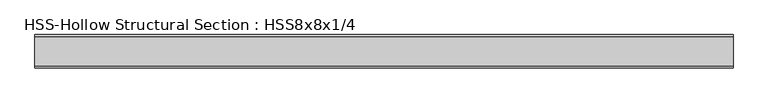
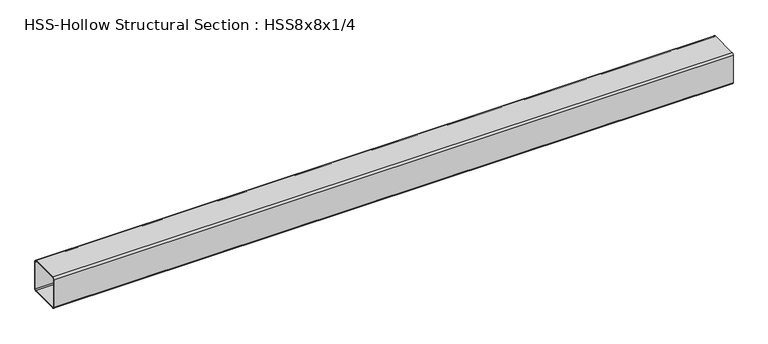
"""IFC4 building model written with IfcOpenShell, lengths in millimetres: member geometry, HSS-Hollow Structural Section : HSS8x8x1/4."""

from ifc_helpers import new_model, si_unit, point, frame, frame_2d, origin, place, context, project, spatial, polyline, circle_curve, trimmed, segment, composite_curve, outline, extrude, source, transform, mapped, element, save


def hss_hollow_structural_section_hss8x8x1_4_97f9af4c(model_context):
    return source(origin(), model_context, "Body", "SweptSolid", [
        extrude(outline(composite_curve([segment(polyline([(101.6, 89.7636), (101.6, -89.7636)]), True, "CONTINUOUS"), segment(trimmed(circle_curve(frame_2d((89.7636, -89.7636)), 11.8364), [point((101.6, -89.7636))], [point((89.7636, -101.6))], False, "CARTESIAN"), True, "CONTINUOUS"), segment(polyline([(89.7636, -101.6), (-89.7636, -101.6)]), True, "CONTINUOUS"), segment(trimmed(circle_curve(frame_2d((-89.7636, -89.7636)), 11.8364), [point((-89.7636, -101.6))], [point((-101.6, -89.7636))], False, "CARTESIAN"), True, "CONTINUOUS"), segment(polyline([(-101.6, -89.7636), (-101.6, 89.7636)]), True, "CONTINUOUS"), segment(trimmed(circle_curve(frame_2d((-89.7636, 89.7636)), 11.8364), [point((-101.6, 89.7636))], [point((-89.7636, 101.6))], False, "CARTESIAN"), True, "CONTINUOUS"), segment(polyline([(-89.7636, 101.6), (89.7636, 101.6)]), True, "CONTINUOUS"), segment(trimmed(circle_curve(frame_2d((89.7636, 89.7636)), 11.8364), [point((89.7636, 101.6))], [point((101.6, 89.7636))], False, "CARTESIAN"), True, "CONTINUOUS")], self_intersect=False), holes=[composite_curve([segment(trimmed(circle_curve(frame_2d((-89.7636, 89.7636)), 5.9182), [point((-89.7636, 95.6818))], [point((-95.6818, 89.7636))], True, "CARTESIAN"), True, "CONTINUOUS"), segment(polyline([(-95.6818, 89.7636), (-95.6818, -89.7636)]), True, "CONTINUOUS"), segment(trimmed(circle_curve(frame_2d((-89.7636, -89.7636)), 5.9182), [point((-95.6818, -89.7636))], [point((-89.7636, -95.6818))], True, "CARTESIAN"), True, "CONTINUOUS"), segment(polyline([(-89.7636, -95.6818), (89.7636, -95.6818)]), True, "CONTINUOUS"), segment(trimmed(circle_curve(frame_2d((89.7636, -89.7636)), 5.9182), [point((89.7636, -95.6818))], [point((95.6818, -89.7636))], True, "CARTESIAN"), True, "CONTINUOUS"), segment(polyline([(95.6818, -89.7636), (95.6818, 89.7636)]), True, "CONTINUOUS"), segment(trimmed(circle_curve(frame_2d((89.7636, 89.7636)), 5.9182), [point((95.6818, 89.7636))], [point((89.7636, 95.6818))], True, "CARTESIAN"), True, "CONTINUOUS"), segment(polyline([(89.7636, 95.6818), (-89.7636, 95.6818)]), True, "CONTINUOUS")], self_intersect=False)]), frame((-1998.7860588, 0.0, 0.0), z_axis=(1.0, 0.0, 0.0), x_axis=(0.0, 1.0, 0.0)), (0.0, 0.0, 1.0), 4234.8122854),
    ])


if __name__ == "__main__":
    model = new_model("IFC4")
    model_context = context("Model", 3, world=origin())
    ifc_project = project(units=[si_unit("LENGTHUNIT", "METRE", prefix="MILLI")], contexts=[model_context])
    site = spatial("IfcSite", under=ifc_project)
    building = spatial("IfcBuilding", under=site)
    placement = place(None, origin())
    hss_hollow_structural_section_hss8x8x1_4_shape = hss_hollow_structural_section_hss8x8x1_4_97f9af4c(model_context)
    element("IfcMember", 1, ObjectType="HSS-Hollow Structural Section : HSS8x8x1/4", at=placement, inside=building, context=model_context, shape_type="MappedRepresentation", body=[
        mapped(hss_hollow_structural_section_hss8x8x1_4_shape, transform((0.0, 0.0, 0.0), x_axis=(1.0, 0.0, 0.0), y_axis=(0.0, 1.0, 0.0), z_axis=(0.0, 0.0, 1.0))),
    ])
    save(model, "model.ifc")
